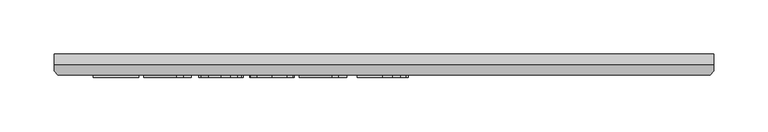
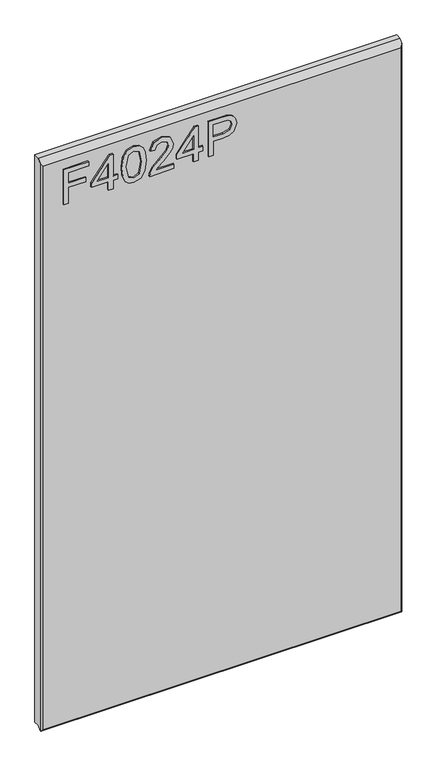
"""IFC4 building model written with IfcOpenShell, lengths in millimetres: furniture geometry."""

from ifc_helpers import new_model, si_unit, frame, origin, place, context, project, spatial, polyline, outline, extrude, faceted_brep, source, transform, mapped, element, save


def furniture_1f4b3569(model_context):
    return source(origin(), model_context, "Body", "SolidModel", [
        extrude(outline(polyline([(2030.5117188, -249.9821872), (2030.5117188, -242.1668026), (2058.842488, -242.1668026), (2058.842488, -212.8591103), (2066.6578726, -212.8591103), (2066.6578726, -242.1668026), (2085.2194111, -242.1668026), (2085.2194111, -207.9744949), (2093.0347957, -207.9744949), (2093.0347957, -249.9821872), (2030.5117188, -249.9821872)])), frame((0.0, -21.9273437, 0.0), z_axis=(0.0, 1.0, 0.0), x_axis=(0.0, 0.0, 1.0)), (0.0, 0.0, 1.0), 2.38125),
        extrude(outline(polyline([(2030.5117188, -174.7591103), (2030.5117188, -166.9437257), (2045.1655649, -166.9437257), (2045.1655649, -159.128341), (2052.9809495, -159.128341), (2052.9809495, -166.9437257), (2092.0578726, -166.9437257), (2092.0578726, -172.8052641), (2052.9809495, -203.0898795), (2045.1655649, -203.0898795), (2045.1655649, -174.7591103), (2030.5117188, -174.7591103)]), holes=[polyline([(2052.9809495, -174.7591103), (2052.9809495, -193.473293), (2077.1292668, -174.7591103), (2052.9809495, -174.7591103)])]), frame((0.0, -21.9273438, 0.0), z_axis=(0.0, 1.0, 0.0), x_axis=(0.0, 0.0, 1.0)), (0.0, 0.0, 1.0), 2.38125),
        extrude(outline(polyline([(2061.2695313, -152.2898795), (2046.0623498, -150.7329084), (2035.4879207, -146.0619949), (2031.0230769, -139.895168), (2029.5347957, -131.7744949), (2032.9616587, -120.3338098), (2043.3567308, -113.5335093), (2061.2695313, -111.2591103), (2075.9615385, -112.6787016), (2085.2117788, -116.3421632), (2091.0198918, -122.6463699), (2093.0347957, -131.7744949), (2089.6308293, -143.1693867), (2079.2586538, -149.9925838), (2061.2695313, -152.2898795)]), holes=[polyline([(2061.2847957, -144.4744949), (2081.0369591, -140.688918), (2085.2194111, -131.8660814), (2080.4721755, -122.615841), (2061.2847957, -119.0744949), (2041.8913462, -122.7379564), (2037.3501803, -131.7744949), (2041.8760817, -140.8110334), (2061.2847957, -144.4744949)])]), frame((0.0, -21.9273438, 0.0), z_axis=(0.0, 1.0, 0.0), x_axis=(0.0, 0.0, 1.0)), (0.0, 0.0, 1.0), 2.38125),
        extrude(outline(polyline([(2038.3271034, -64.3668026), (2038.3271034, -95.0635574), (2042.3034856, -91.5374757), (2049.8212139, -82.5467305), (2060.5292067, -71.3502761), (2068.1919471, -66.7327882), (2075.6028245, -65.3437257), (2088.0280649, -70.4954684), (2093.0347957, -84.4853122), (2088.5317909, -98.4293627), (2075.4501803, -104.4206487), (2074.4732572, -96.6052641), (2082.3649639, -93.3157809), (2085.2194111, -84.6532209), (2082.296274, -76.3417425), (2075.1296274, -73.1591103), (2066.276262, -76.5325478), (2053.2557091, -90.0262978), (2044.196274, -99.810793), (2035.9000601, -104.5580285), (2030.5117188, -105.3975718), (2030.5117188, -64.3668026), (2038.3271034, -64.3668026)])), frame((0.0, -21.9273437, 0.0), z_axis=(0.0, 1.0, 0.0), x_axis=(0.0, 0.0, 1.0)), (0.0, 0.0, 1.0), 2.38125),
        extrude(outline(polyline([(2030.5117188, -31.151418), (2030.5117188, -23.3360334), (2045.1655649, -23.3360334), (2045.1655649, -15.5206487), (2052.9809495, -15.5206487), (2052.9809495, -23.3360334), (2092.0578726, -23.3360334), (2092.0578726, -29.1975718), (2052.9809495, -59.4821872), (2045.1655649, -59.4821872), (2045.1655649, -31.151418), (2030.5117188, -31.151418)]), holes=[polyline([(2052.9809495, -31.151418), (2052.9809495, -49.8656007), (2077.1292668, -31.151418), (2052.9809495, -31.151418)])]), frame((0.0, -21.9273438, 0.0), z_axis=(0.0, 1.0, 0.0), x_axis=(0.0, 0.0, 1.0)), (0.0, 0.0, 1.0), 2.38125),
        extrude(outline(polyline([(2030.5117188, -5.751418), (2030.5117188, 2.0639666), (2055.9117188, 2.0639666), (2055.9117188, 17.9542311), (2057.293149, 29.0571908), (2061.4374399, 36.1112623), (2074.9464543, 41.1408897), (2083.4716346, 39.2786301), (2089.5163462, 34.3558537), (2092.4394832, 26.7618032), (2093.0347957, 17.4199763), (2093.0347957, -5.751418), (2030.5117188, -5.751418)]), holes=[polyline([(2063.7271034, 2.0639666), (2085.2194111, 2.0639666), (2085.2194111, 18.2289907), (2084.6851563, 26.0443753), (2081.1438101, 31.3182335), (2074.6716947, 33.3255051), (2066.5968149, 29.9215388), (2063.7271034, 18.4121638), (2063.7271034, 2.0639666)])]), frame((0.0, -21.9273438, 0.0), z_axis=(0.0, 1.0, 0.0), x_axis=(0.0, 0.0, 1.0)), (0.0, 0.0, 1.0), 2.38125),
        faceted_brep([(323.5377049, 0.0, 2119.4117187), (-286.0622951, 0.0, 2119.4117187), (-286.0622951, -10.0314449, 2119.4117187), (323.5377049, -10.0314449, 2119.4117187), (-286.0622951, 0.0, 1108.2647062), (323.5377049, 0.0, 1108.2647062), (323.5377049, -10.0314449, 1108.2647062), (-286.0622951, -10.0314449, 1108.2647062), (-286.0622951, -15.7726273, 1102.5235239), (-286.0622951, -15.7726273, 2113.6705364), (-282.8959807, -19.5460937, 1105.0897062), (320.3713906, -19.5460937, 1105.0897062), (320.3713906, -19.5460937, 2109.8970699), (-282.8959807, -19.5460937, 2109.8970699), (323.5377049, -15.7726273, 2113.6705364), (323.5377049, -15.7726273, 1102.5235239), (-285.5514364, -16.3814449, 1101.9147062), (323.0268462, -16.3814449, 1101.9147062)], [[[0, 1, 2, 3]], [[4, 5, 6, 7]], [[1, 4, 7, 8, 9, 2]], [[10, 11, 12, 13]], [[5, 0, 3, 14, 15, 6]], [[1, 0, 5, 4]], [[11, 10, 16, 17]], [[7, 6, 15, 17, 16, 8]], [[3, 2, 9, 13, 12, 14]], [[9, 8, 16, 10, 13]], [[12, 11, 17, 15, 14]]]),
    ])


if __name__ == "__main__":
    model = new_model("IFC4")
    model_context = context("Model", 3, world=origin())
    ifc_project = project(units=[si_unit("LENGTHUNIT", "METRE", prefix="MILLI")], contexts=[model_context])
    site = spatial("IfcSite", under=ifc_project)
    building = spatial("IfcBuilding", under=site)
    placement = place(None, origin())
    furniture_shape = furniture_1f4b3569(model_context)
    element("IfcFurniture", 1, at=placement, inside=building, context=model_context, shape_type="MappedRepresentation", body=[
        mapped(furniture_shape, transform((0.0, 0.0, 0.0), x_axis=(1.0, 0.0, 0.0), y_axis=(0.0, 1.0, 0.0), z_axis=(0.0, 0.0, 1.0))),
    ])
    save(model, "model.ifc")
